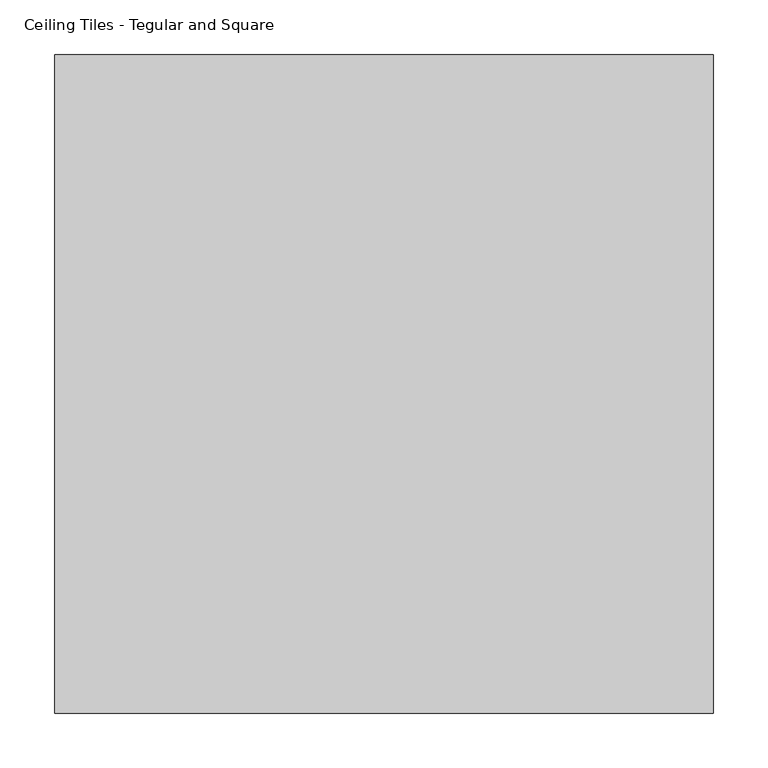
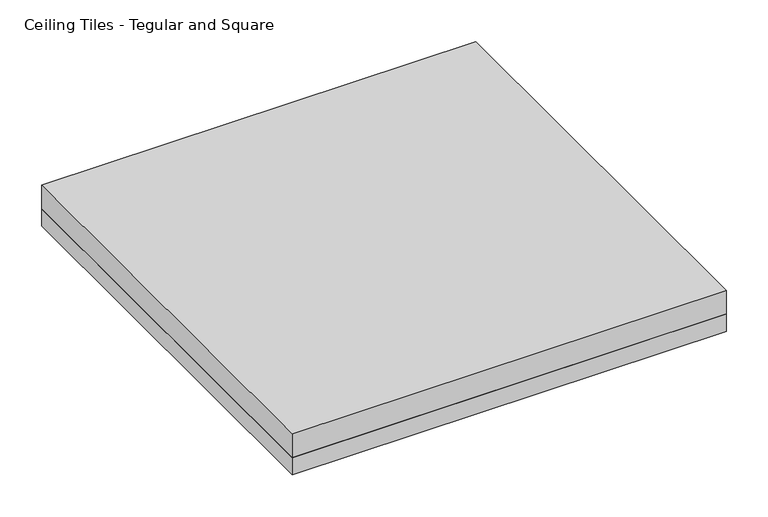
"""IFC4 building model written with IfcOpenShell, lengths in millimetres: proxy geometry, Ceiling Tiles - Tegular and Square."""

from ifc_helpers import new_model, si_unit, frame, origin, origin_with_axes, place, context, project, spatial, polyline, outline, extrude, source, transform, mapped, element, save


def ceiling_tiles_tegular_and_square_7117b464(model_context):
    return source(origin(), model_context, "Body", "SweptSolid", [
        extrude(outline(polyline([(301.625, 301.625), (301.625, -301.625), (-301.625, -301.625), (-301.625, 301.625), (301.625, 301.625)])), origin_with_axes(), (0.0, 0.0, 1.0), 25.4),
        extrude(outline(polyline([(-301.625, 301.625), (301.625, 301.625), (301.625, -301.625), (-301.625, -301.625), (-301.625, 301.625)])), frame((0.0, 0.0, 25.4), z_axis=(0.0, 0.0, 1.0), x_axis=(1.0, 0.0, 0.0)), (0.0, 0.0, 1.0), 34.925),
    ])


if __name__ == "__main__":
    model = new_model("IFC4")
    model_context = context("Model", 3, world=origin())
    ifc_project = project(units=[si_unit("LENGTHUNIT", "METRE", prefix="MILLI")], contexts=[model_context])
    site = spatial("IfcSite", under=ifc_project)
    building = spatial("IfcBuilding", under=site)
    placement = place(None, origin())
    ceiling_tiles_tegular_and_square_shape = ceiling_tiles_tegular_and_square_7117b464(model_context)
    element("IfcBuildingElementProxy", 1, Name="Ceiling Tiles - Tegular and Square", ObjectType="Ceiling Tiles - Tegular and Square", at=placement, inside=building, context=model_context, shape_type="MappedRepresentation", body=[
        mapped(ceiling_tiles_tegular_and_square_shape, transform((0.0, 0.0, 0.0), x_axis=(1.0, 0.0, 0.0), y_axis=(0.0, 1.0, 0.0), z_axis=(0.0, 0.0, 1.0))),
    ])
    save(model, "model.ifc")
